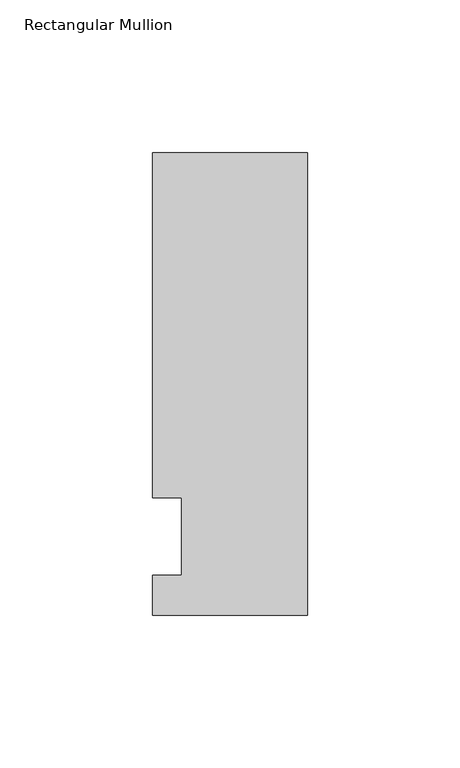
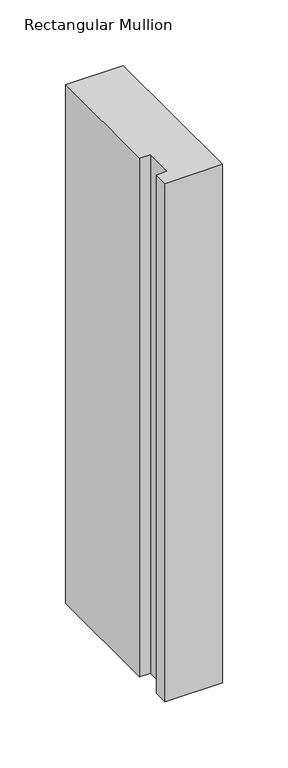
"""IFC4 building model written with IfcOpenShell, lengths in millimetres: member geometry, Rectangular Mullion."""

import ifcopenshell
import ifcopenshell.guid

model = None  # the IFC model being written
_history = None  # IfcOwnerHistory: only IFC2X3 demands one
_inside = {}  # id of a spatial element -> (the spatial element, [elements in it])
_under = {}  # id of a project, library or spatial element -> (it, [spatial elements below it])
_declared = {}  # id of a project -> (the project, [libraries it declares])
_typed = {}  # id of a type object -> (the type object, [elements of that type])
_made_of = {}  # id of a material, layer set ... -> (it, [elements and type objects made of it])


def new_model(schema):
    """Start an empty IFC model of exactly this schema.

    Asked for "IFC4X3", IfcOpenShell would pick the latest addendum, in which some entities
    have other attributes; the version numbers below select the first issue.
    IFC2X3 requires an IfcOwnerHistory on every rooted entity: one is made here for all.
    """
    global model, _history
    if schema == "IFC4X3":
        model = ifcopenshell.file(schema_version=(4, 3, 0, 0))
    else:
        model = ifcopenshell.file(schema=schema)
    _inside.clear()
    _under.clear()
    _declared.clear()
    _typed.clear()
    _made_of.clear()
    _history = None
    if model.schema == "IFC2X3":
        org = make("IfcOrganization", Name="unknown")
        user = make(
            "IfcPersonAndOrganization",
            ThePerson=make("IfcPerson", FamilyName="unknown"),
            TheOrganization=org,
        )
        app = make(
            "IfcApplication",
            ApplicationDeveloper=org,
            Version="unknown",
            ApplicationFullName="unknown",
            ApplicationIdentifier="unknown",
        )
        _history = make(
            "IfcOwnerHistory",
            OwningUser=user,
            OwningApplication=app,
            ChangeAction="ADDED",
            CreationDate=0,
        )
    return model


def make(cls, **values):
    """One entity of the class cls with the attributes given. An attribute that is None is left unset."""
    return model.create_entity(
        cls, **{name: value for name, value in values.items() if value is not None}
    )


def rooted(cls, **values):
    """An entity with a GlobalId (a new one), such as an element, a storey or a relation."""
    return make(cls, GlobalId=ifcopenshell.guid.new(), OwnerHistory=_history, **values)


def si_unit(unit_type, name, prefix=None):
    """IfcSIUnit, for example si_unit("LENGTHUNIT", "METRE", prefix="MILLI")."""
    return make("IfcSIUnit", UnitType=unit_type, Prefix=prefix, Name=name)


def assignment(units):
    """IfcUnitAssignment: the units of a project."""
    return None if units is None else make("IfcUnitAssignment", Units=units)


def point(xyz):
    """IfcCartesianPoint."""
    return None if xyz is None else make("IfcCartesianPoint", Coordinates=xyz)


def direction(xyz):
    """IfcDirection."""
    return None if xyz is None else make("IfcDirection", DirectionRatios=xyz)


def frame(location, z_axis=None, x_axis=None):
    """IfcAxis2Placement3D, a coordinate frame: its origin and axes. An axis left out is left unset."""
    return make(
        "IfcAxis2Placement3D",
        Location=point(location),
        Axis=direction(z_axis),
        RefDirection=direction(x_axis),
    )


def origin():
    """The frame at (0, 0, 0) with its axes left unset."""
    return frame((0.0, 0.0, 0.0))


def place(relative_to, where):
    """IfcLocalPlacement: puts the frame where relative to a parent placement (None: the world)."""
    return make(
        "IfcLocalPlacement", PlacementRelTo=relative_to, RelativePlacement=where
    )


def context(
    kind, dimensions, precision=None, world=None, true_north=None, identifier=None
):
    """IfcGeometricRepresentationContext, for example the 3D "Model" context."""
    return make(
        "IfcGeometricRepresentationContext",
        ContextIdentifier=identifier,
        ContextType=kind,
        CoordinateSpaceDimension=dimensions,
        Precision=precision,
        WorldCoordinateSystem=world,
        TrueNorth=true_north,
    )


def project(units=None, contexts=None):
    """IfcProject with its units and contexts."""
    return rooted(
        "IfcProject",
        Name="project",
        RepresentationContexts=contexts,
        UnitsInContext=assignment(units),
    )


def spatial(cls, under=None, at=None, **own):
    """A site, building, storey or space (cls), placed at a placement, below another one or the project."""
    s = rooted(cls, ObjectPlacement=at, **own)
    if under is not None:
        _under.setdefault(under.id(), (under, []))[1].append(s)
    return s


def polyline(points):
    """IfcPolyline through the points."""
    return make("IfcPolyline", Points=[point(p) for p in points])


def outline(outer, holes=None, kind="AREA"):
    """IfcArbitraryClosedProfileDef: a profile drawn as a closed curve; with holes, ...WithVoids."""
    if holes is None:
        return make("IfcArbitraryClosedProfileDef", ProfileType=kind, OuterCurve=outer)
    return make(
        "IfcArbitraryProfileDefWithVoids",
        ProfileType=kind,
        OuterCurve=outer,
        InnerCurves=holes,
    )


def extrude(swept, where, along, depth):
    """IfcExtrudedAreaSolid: the profile swept, set in the frame where, extruded along a direction by depth."""
    return make(
        "IfcExtrudedAreaSolid",
        SweptArea=swept,
        Position=where,
        ExtrudedDirection=direction(along),
        Depth=depth,
    )


def shape(context_of_items, identifier, shape_type, items):
    """IfcShapeRepresentation: the items that make up one representation, for example the "Body"."""
    return make(
        "IfcShapeRepresentation",
        ContextOfItems=context_of_items,
        RepresentationIdentifier=identifier,
        RepresentationType=shape_type,
        Items=items,
    )


def source(mapping_origin, context_of_items, identifier, shape_type, items):
    """IfcRepresentationMap: a shape defined once, which mapped items show again and again."""
    return make(
        "IfcRepresentationMap",
        MappingOrigin=mapping_origin,
        MappedRepresentation=shape(context_of_items, identifier, shape_type, items),
    )


def transform(
    local_origin,
    x_axis=None,
    y_axis=None,
    z_axis=None,
    scale=None,
    scale2=None,
    scale3=None,
    uniform=True,
):
    """IfcCartesianTransformationOperator3D, or its non-uniform kind. x_axis, y_axis, z_axis: its Axis1, 2, 3."""
    if uniform:
        return make(
            "IfcCartesianTransformationOperator3D",
            Axis1=direction(x_axis),
            Axis2=direction(y_axis),
            LocalOrigin=point(local_origin),
            Scale=scale,
            Axis3=direction(z_axis),
        )
    return make(
        "IfcCartesianTransformationOperator3DnonUniform",
        Axis1=direction(x_axis),
        Axis2=direction(y_axis),
        LocalOrigin=point(local_origin),
        Scale=scale,
        Axis3=direction(z_axis),
        Scale2=scale2,
        Scale3=scale3,
    )


def mapped(mapping_source, mapping_target):
    """IfcMappedItem: shows the shape of a source again, moved by a transform."""
    return make(
        "IfcMappedItem", MappingSource=mapping_source, MappingTarget=mapping_target
    )


def made_of(thing, what):
    """Note that an element or type object is made of a material, layer set ...; save() writes the relation."""
    if what is not None:
        _made_of.setdefault(what.id(), (what, []))[1].append(thing)
    return thing


def element(
    cls,
    number,
    at=None,
    inside=None,
    cuts=None,
    type_object=None,
    material=None,
    context=None,
    identifier="Body",
    shape_type=None,
    held_by="IfcProductDefinitionShape",
    body=None,
    shapes=None,
    **own,
):
    """One element of the class cls, such as IfcWall. Its Tag is "e" and its number.

    at: its placement. inside: the storey or other place that contains it. cuts: it is an
    opening in that element (IfcRelVoidsElement). A single representation is given by context,
    identifier, shape_type and body (its items); several are given by shapes. held_by: the class
    of the entity that holds the representations. save() writes the other relations.
    """
    e = rooted(cls, Tag="e%d" % number, ObjectPlacement=at, **own)
    if body is not None:
        shapes = [shape(context, identifier, shape_type, body)]
    if shapes is not None:
        e.Representation = make(held_by, Representations=shapes)
    if inside is not None:
        _inside.setdefault(inside.id(), (inside, []))[1].append(e)
    if cuts is not None:
        rooted(
            "IfcRelVoidsElement", RelatingBuildingElement=cuts, RelatedOpeningElement=e
        )
    if type_object is not None:
        _typed.setdefault(type_object.id(), (type_object, []))[1].append(e)
    return made_of(e, material)


def aggregate(whole, parts):
    """IfcRelAggregates: a whole, such as a stair, and the parts it consists of."""
    return rooted("IfcRelAggregates", RelatingObject=whole, RelatedObjects=parts)


def save(model, path):
    """Write the relations noted so far, then the file.

    IfcRelAggregates (storeys below a building ...), IfcRelContainedInSpatialStructure (elements
    in a storey), IfcRelDefinesByType, IfcRelAssociatesMaterial and IfcRelDeclares: one each for
    every whole, place, type object, material and project.
    """
    for whole, parts in _under.values():
        aggregate(whole, parts)
    for where, things in _inside.values():
        rooted(
            "IfcRelContainedInSpatialStructure",
            RelatedElements=things,
            RelatingStructure=where,
        )
    for kind, things in _typed.values():
        rooted("IfcRelDefinesByType", RelatedObjects=things, RelatingType=kind)
    for what, things in _made_of.values():
        rooted("IfcRelAssociatesMaterial", RelatedObjects=things, RelatingMaterial=what)
    for by, libraries in _declared.values():
        rooted("IfcRelDeclares", RelatingContext=by, RelatedDefinitions=libraries)
    model.write(path)


def rectangular_mullion_d520acbb(model_context):
    return source(origin(), model_context, "Body", "SweptSolid", [
        extrude(outline(polyline([(-50.8, -25.7961253), (-50.8, -12.7), (-41.275, -12.7), (-41.275, 12.7), (-50.8, 12.7), (-50.8, 125.8036906), (0.0, 125.8036906), (0.0, -25.7961253), (-50.8, -25.7961253)])), frame((0.0, 0.0, -482.6), z_axis=(0.0, 0.0, 1.0), x_axis=(1.0, 0.0, 0.0)), (0.0, 0.0, 1.0), 482.6),
    ])


if __name__ == "__main__":
    model = new_model("IFC4")
    model_context = context("Model", 3, world=origin())
    ifc_project = project(units=[si_unit("LENGTHUNIT", "METRE", prefix="MILLI")], contexts=[model_context])
    site = spatial("IfcSite", under=ifc_project)
    building = spatial("IfcBuilding", under=site)
    placement = place(None, origin())
    rectangular_mullion_shape = rectangular_mullion_d520acbb(model_context)
    element("IfcMember", 1, ObjectType="Rectangular Mullion", at=placement, inside=building, context=model_context, shape_type="MappedRepresentation", body=[
        mapped(rectangular_mullion_shape, transform((0.0, 0.0, 0.0), x_axis=(1.0, 0.0, 0.0), y_axis=(0.0, 1.0, 0.0), z_axis=(0.0, 0.0, 1.0))),
    ])
    save(model, "model.ifc")
